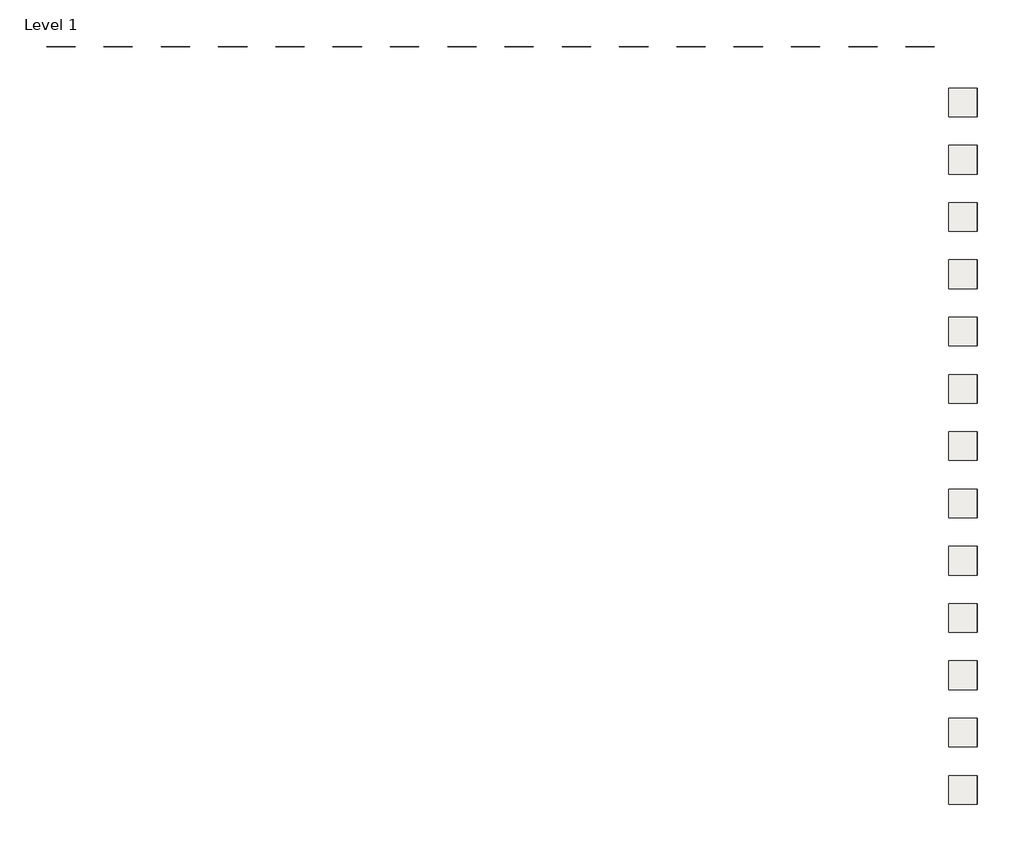
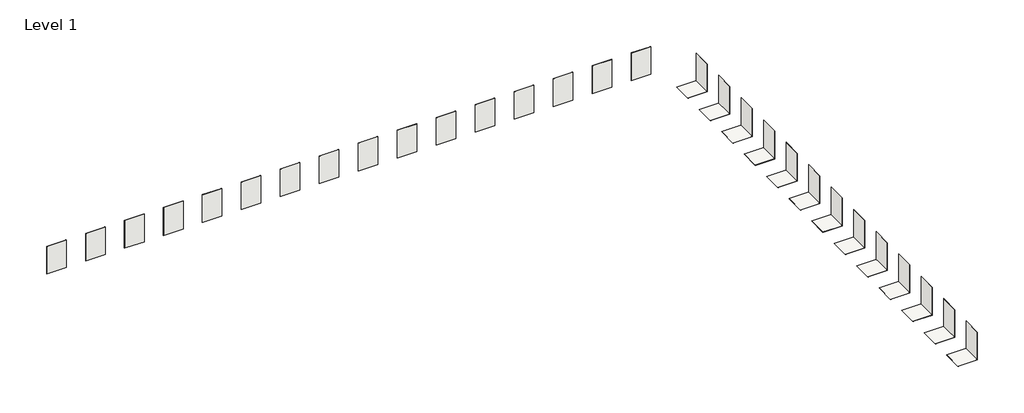
# One storey: 42 coverings.
"""IFC4 building model written with IfcOpenShell, lengths in millimetres."""

import ifcopenshell
import ifcopenshell.guid

model = None  # the IFC model being written
_history = None  # IfcOwnerHistory: only IFC2X3 demands one
_inside = {}  # id of a spatial element -> (the spatial element, [elements in it])
_under = {}  # id of a project, library or spatial element -> (it, [spatial elements below it])
_declared = {}  # id of a project -> (the project, [libraries it declares])
_typed = {}  # id of a type object -> (the type object, [elements of that type])
_made_of = {}  # id of a material, layer set ... -> (it, [elements and type objects made of it])


def new_model(schema):
    """Start an empty IFC model of exactly this schema.

    Asked for "IFC4X3", IfcOpenShell would pick the latest addendum, in which some entities
    have other attributes; the version numbers below select the first issue.
    IFC2X3 requires an IfcOwnerHistory on every rooted entity: one is made here for all.
    """
    global model, _history
    if schema == "IFC4X3":
        model = ifcopenshell.file(schema_version=(4, 3, 0, 0))
    else:
        model = ifcopenshell.file(schema=schema)
    _inside.clear()
    _under.clear()
    _declared.clear()
    _typed.clear()
    _made_of.clear()
    _history = None
    if model.schema == "IFC2X3":
        org = make("IfcOrganization", Name="unknown")
        user = make(
            "IfcPersonAndOrganization",
            ThePerson=make("IfcPerson", FamilyName="unknown"),
            TheOrganization=org,
        )
        app = make(
            "IfcApplication",
            ApplicationDeveloper=org,
            Version="unknown",
            ApplicationFullName="unknown",
            ApplicationIdentifier="unknown",
        )
        _history = make(
            "IfcOwnerHistory",
            OwningUser=user,
            OwningApplication=app,
            ChangeAction="ADDED",
            CreationDate=0,
        )
    return model


def make(cls, **values):
    """One entity of the class cls with the attributes given. An attribute that is None is left unset."""
    return model.create_entity(
        cls, **{name: value for name, value in values.items() if value is not None}
    )


def rooted(cls, **values):
    """An entity with a GlobalId (a new one), such as an element, a storey or a relation."""
    return make(cls, GlobalId=ifcopenshell.guid.new(), OwnerHistory=_history, **values)


def si_unit(unit_type, name, prefix=None):
    """IfcSIUnit, for example si_unit("LENGTHUNIT", "METRE", prefix="MILLI")."""
    return make("IfcSIUnit", UnitType=unit_type, Prefix=prefix, Name=name)


def assignment(units):
    """IfcUnitAssignment: the units of a project."""
    return None if units is None else make("IfcUnitAssignment", Units=units)


def point(xyz):
    """IfcCartesianPoint."""
    return None if xyz is None else make("IfcCartesianPoint", Coordinates=xyz)


def direction(xyz):
    """IfcDirection."""
    return None if xyz is None else make("IfcDirection", DirectionRatios=xyz)


def frame(location, z_axis=None, x_axis=None):
    """IfcAxis2Placement3D, a coordinate frame: its origin and axes. An axis left out is left unset."""
    return make(
        "IfcAxis2Placement3D",
        Location=point(location),
        Axis=direction(z_axis),
        RefDirection=direction(x_axis),
    )


def origin():
    """The frame at (0, 0, 0) with its axes left unset."""
    return frame((0.0, 0.0, 0.0))


def origin_with_axes():
    """The frame at (0, 0, 0) with the z axis (0, 0, 1) and the x axis (1, 0, 0) written out."""
    return frame((0.0, 0.0, 0.0), z_axis=(0.0, 0.0, 1.0), x_axis=(1.0, 0.0, 0.0))


def place(relative_to, where):
    """IfcLocalPlacement: puts the frame where relative to a parent placement (None: the world)."""
    return make(
        "IfcLocalPlacement", PlacementRelTo=relative_to, RelativePlacement=where
    )


def context(
    kind, dimensions, precision=None, world=None, true_north=None, identifier=None
):
    """IfcGeometricRepresentationContext, for example the 3D "Model" context."""
    return make(
        "IfcGeometricRepresentationContext",
        ContextIdentifier=identifier,
        ContextType=kind,
        CoordinateSpaceDimension=dimensions,
        Precision=precision,
        WorldCoordinateSystem=world,
        TrueNorth=true_north,
    )


def project(units=None, contexts=None):
    """IfcProject with its units and contexts."""
    return rooted(
        "IfcProject",
        Name="project",
        RepresentationContexts=contexts,
        UnitsInContext=assignment(units),
    )


def spatial(cls, under=None, at=None, **own):
    """A site, building, storey or space (cls), placed at a placement, below another one or the project."""
    s = rooted(cls, ObjectPlacement=at, **own)
    if under is not None:
        _under.setdefault(under.id(), (under, []))[1].append(s)
    return s


def polyline(points):
    """IfcPolyline through the points."""
    return make("IfcPolyline", Points=[point(p) for p in points])


def outline(outer, holes=None, kind="AREA"):
    """IfcArbitraryClosedProfileDef: a profile drawn as a closed curve; with holes, ...WithVoids."""
    if holes is None:
        return make("IfcArbitraryClosedProfileDef", ProfileType=kind, OuterCurve=outer)
    return make(
        "IfcArbitraryProfileDefWithVoids",
        ProfileType=kind,
        OuterCurve=outer,
        InnerCurves=holes,
    )


def extrude(swept, where, along, depth):
    """IfcExtrudedAreaSolid: the profile swept, set in the frame where, extruded along a direction by depth."""
    return make(
        "IfcExtrudedAreaSolid",
        SweptArea=swept,
        Position=where,
        ExtrudedDirection=direction(along),
        Depth=depth,
    )


def shape(context_of_items, identifier, shape_type, items):
    """IfcShapeRepresentation: the items that make up one representation, for example the "Body"."""
    return make(
        "IfcShapeRepresentation",
        ContextOfItems=context_of_items,
        RepresentationIdentifier=identifier,
        RepresentationType=shape_type,
        Items=items,
    )


def made_of(thing, what):
    """Note that an element or type object is made of a material, layer set ...; save() writes the relation."""
    if what is not None:
        _made_of.setdefault(what.id(), (what, []))[1].append(thing)
    return thing


def element(
    cls,
    number,
    at=None,
    inside=None,
    cuts=None,
    type_object=None,
    material=None,
    context=None,
    identifier="Body",
    shape_type=None,
    held_by="IfcProductDefinitionShape",
    body=None,
    shapes=None,
    **own,
):
    """One element of the class cls, such as IfcWall. Its Tag is "e" and its number.

    at: its placement. inside: the storey or other place that contains it. cuts: it is an
    opening in that element (IfcRelVoidsElement). A single representation is given by context,
    identifier, shape_type and body (its items); several are given by shapes. held_by: the class
    of the entity that holds the representations. save() writes the other relations.
    """
    e = rooted(cls, Tag="e%d" % number, ObjectPlacement=at, **own)
    if body is not None:
        shapes = [shape(context, identifier, shape_type, body)]
    if shapes is not None:
        e.Representation = make(held_by, Representations=shapes)
    if inside is not None:
        _inside.setdefault(inside.id(), (inside, []))[1].append(e)
    if cuts is not None:
        rooted(
            "IfcRelVoidsElement", RelatingBuildingElement=cuts, RelatedOpeningElement=e
        )
    if type_object is not None:
        _typed.setdefault(type_object.id(), (type_object, []))[1].append(e)
    return made_of(e, material)


def aggregate(whole, parts):
    """IfcRelAggregates: a whole, such as a stair, and the parts it consists of."""
    return rooted("IfcRelAggregates", RelatingObject=whole, RelatedObjects=parts)


def save(model, path):
    """Write the relations noted so far, then the file.

    IfcRelAggregates (storeys below a building ...), IfcRelContainedInSpatialStructure (elements
    in a storey), IfcRelDefinesByType, IfcRelAssociatesMaterial and IfcRelDeclares: one each for
    every whole, place, type object, material and project.
    """
    for whole, parts in _under.values():
        aggregate(whole, parts)
    for where, things in _inside.values():
        rooted(
            "IfcRelContainedInSpatialStructure",
            RelatedElements=things,
            RelatingStructure=where,
        )
    for kind, things in _typed.values():
        rooted("IfcRelDefinesByType", RelatedObjects=things, RelatingType=kind)
    for what, things in _made_of.values():
        rooted("IfcRelAssociatesMaterial", RelatedObjects=things, RelatingMaterial=what)
    for by, libraries in _declared.values():
        rooted("IfcRelDeclares", RelatingContext=by, RelatedDefinitions=libraries)
    model.write(path)


model = new_model("IFC4")

# Units and contexts
model_context = context("Model", 3, world=origin())
ifc_project = project(units=[si_unit("LENGTHUNIT", "METRE", prefix="MILLI")], contexts=[model_context])

# Site, building, storey
site = spatial("IfcSite", under=ifc_project)
building = spatial("IfcBuilding", under=site)
storey = spatial("IfcBuildingStorey", under=building, Name="Level 1", Elevation=0.0)

# Coverings
placement = place(None, origin())
element("IfcCovering", 1, at=placement, inside=storey, context=model_context, shape_type="SweptSolid", body=[
    extrude(outline(polyline([(3527.0774266, -4501.9826748), (1527.0774266, -4501.9826748), (1527.0774266, -2501.9826748), (3527.0774266, -2501.9826748), (3527.0774266, -4501.9826748)])), frame((0.0, 0.0, -10.3), z_axis=(0.0, 0.0, 1.0), x_axis=(1.0, 0.0, 0.0)), (0.0, 0.0, 1.0), 10.3),
])
element("IfcCovering", 2, at=placement, inside=storey, context=model_context, shape_type="SweptSolid", body=[
    extrude(outline(polyline([(3516.7774266, -4501.9826748), (3516.7774266, -2501.9826748), (3527.0774266, -2501.9826748), (3527.0774266, -4501.9826748), (3516.7774266, -4501.9826748)])), origin_with_axes(), (0.0, 0.0, 1.0), 3000.0),
])
element("IfcCovering", 3, at=placement, inside=storey, context=model_context, shape_type="SweptSolid", body=[
    extrude(outline(polyline([(3527.0774266, -8501.9826748), (1527.0774266, -8501.9826748), (1527.0774266, -6501.9826748), (3527.0774266, -6501.9826748), (3527.0774266, -8501.9826748)])), frame((0.0, 0.0, -10.3), z_axis=(0.0, 0.0, 1.0), x_axis=(1.0, 0.0, 0.0)), (0.0, 0.0, 1.0), 10.3),
])
element("IfcCovering", 4, at=placement, inside=storey, context=model_context, shape_type="SweptSolid", body=[
    extrude(outline(polyline([(3516.7774266, -8501.9826748), (3516.7774266, -6501.9826748), (3527.0774266, -6501.9826748), (3527.0774266, -8501.9826748), (3516.7774266, -8501.9826748)])), origin_with_axes(), (0.0, 0.0, 1.0), 3000.0),
])
element("IfcCovering", 5, at=placement, inside=storey, context=model_context, shape_type="SweptSolid", body=[
    extrude(outline(polyline([(3516.7774266, -501.9826748), (3516.7774266, 1498.0173252), (3527.0774266, 1498.0173252), (3527.0774266, -501.9826748), (3516.7774266, -501.9826748)])), origin_with_axes(), (0.0, 0.0, 1.0), 3000.0),
])
element("IfcCovering", 6, at=placement, inside=storey, context=model_context, shape_type="SweptSolid", body=[
    extrude(outline(polyline([(-3472.9225734, 4388.7173252), (-5472.9225734, 4388.7173252), (-5472.9225734, 4398.0173252), (-3472.9225734, 4398.0173252), (-3472.9225734, 4388.7173252)])), origin_with_axes(), (0.0, 0.0, 1.0), 3000.0),
])
element("IfcCovering", 7, at=placement, inside=storey, context=model_context, shape_type="SweptSolid", body=[
    extrude(outline(polyline([(-7472.9225734, 4388.7173252), (-9472.9225734, 4388.7173252), (-9472.9225734, 4398.0173252), (-7472.9225734, 4398.0173252), (-7472.9225734, 4388.7173252)])), origin_with_axes(), (0.0, 0.0, 1.0), 3000.0),
])
element("IfcCovering", 8, at=placement, inside=storey, context=model_context, shape_type="SweptSolid", body=[
    extrude(outline(polyline([(-11472.9225734, 4388.7173252), (-13472.9225734, 4388.7173252), (-13472.9225734, 4398.0173252), (-11472.9225734, 4398.0173252), (-11472.9225734, 4388.7173252)])), origin_with_axes(), (0.0, 0.0, 1.0), 3000.0),
])
element("IfcCovering", 9, at=placement, inside=storey, context=model_context, shape_type="SweptSolid", body=[
    extrude(outline(polyline([(-15472.9225734, 4389.0173252), (-17472.9225734, 4389.0173252), (-17472.9225734, 4398.0173252), (-15472.9225734, 4398.0173252), (-15472.9225734, 4389.0173252)])), origin_with_axes(), (0.0, 0.0, 1.0), 3000.0),
])
element("IfcCovering", 10, at=placement, inside=storey, context=model_context, shape_type="SweptSolid", body=[
    extrude(outline(polyline([(-19472.9225734, 4389.0173252), (-21472.9225734, 4389.0173252), (-21472.9225734, 4398.0173252), (-19472.9225734, 4398.0173252), (-19472.9225734, 4389.0173252)])), origin_with_axes(), (0.0, 0.0, 1.0), 3000.0),
])
element("IfcCovering", 11, at=placement, inside=storey, context=model_context, shape_type="SweptSolid", body=[
    extrude(outline(polyline([(-23472.9225734, 4388.4173252), (-25472.9225734, 4388.4173252), (-25472.9225734, 4398.0173252), (-23472.9225734, 4398.0173252), (-23472.9225734, 4388.4173252)])), origin_with_axes(), (0.0, 0.0, 1.0), 3000.0),
])
element("IfcCovering", 12, at=placement, inside=storey, context=model_context, shape_type="SweptSolid", body=[
    extrude(outline(polyline([(-27472.9225734, 4388.4173252), (-29472.9225734, 4388.4173252), (-29472.9225734, 4398.0173252), (-27472.9225734, 4398.0173252), (-27472.9225734, 4388.4173252)])), origin_with_axes(), (0.0, 0.0, 1.0), 3000.0),
])
element("IfcCovering", 13, at=placement, inside=storey, context=model_context, shape_type="SweptSolid", body=[
    extrude(outline(polyline([(-31472.9225734, 4388.4173252), (-33472.9225734, 4388.4173252), (-33472.9225734, 4398.0173252), (-31472.9225734, 4398.0173252), (-31472.9225734, 4388.4173252)])), origin_with_axes(), (0.0, 0.0, 1.0), 3000.0),
])
element("IfcCovering", 14, at=placement, inside=storey, context=model_context, shape_type="SweptSolid", body=[
    extrude(outline(polyline([(3527.0774266, -501.9826748), (1527.0774266, -501.9826748), (1527.0774266, 1498.0173252), (3527.0774266, 1498.0173252), (3527.0774266, -501.9826748)])), frame((0.0, 0.0, -10.3), z_axis=(0.0, 0.0, 1.0), x_axis=(1.0, 0.0, 0.0)), (0.0, 0.0, 1.0), 10.3),
])
element("IfcCovering", 15, at=placement, inside=storey, context=model_context, shape_type="SweptSolid", body=[
    extrude(outline(polyline([(3527.0774266, -12501.9826748), (1527.0774266, -12501.9826748), (1527.0774266, -10501.9826748), (3527.0774266, -10501.9826748), (3527.0774266, -12501.9826748)])), frame((0.0, 0.0, -10.3), z_axis=(0.0, 0.0, 1.0), x_axis=(1.0, 0.0, 0.0)), (0.0, 0.0, 1.0), 10.3),
])
element("IfcCovering", 16, at=placement, inside=storey, context=model_context, shape_type="SweptSolid", body=[
    extrude(outline(polyline([(3516.7774266, -12501.9826748), (3516.7774266, -10501.9826748), (3527.0774266, -10501.9826748), (3527.0774266, -12501.9826748), (3516.7774266, -12501.9826748)])), origin_with_axes(), (0.0, 0.0, 1.0), 3000.0),
])
element("IfcCovering", 17, at=placement, inside=storey, context=model_context, shape_type="SweptSolid", body=[
    extrude(outline(polyline([(3527.0774266, -16501.9826748), (1527.0774266, -16501.9826748), (1527.0774266, -14501.9826748), (3527.0774266, -14501.9826748), (3527.0774266, -16501.9826748)])), frame((0.0, 0.0, -10.3), z_axis=(0.0, 0.0, 1.0), x_axis=(1.0, 0.0, 0.0)), (0.0, 0.0, 1.0), 10.3),
])
element("IfcCovering", 18, at=placement, inside=storey, context=model_context, shape_type="SweptSolid", body=[
    extrude(outline(polyline([(3516.7774266, -16501.9826748), (3516.7774266, -14501.9826748), (3527.0774266, -14501.9826748), (3527.0774266, -16501.9826748), (3516.7774266, -16501.9826748)])), origin_with_axes(), (0.0, 0.0, 1.0), 3000.0),
])
element("IfcCovering", 19, at=placement, inside=storey, context=model_context, shape_type="SweptSolid", body=[
    extrude(outline(polyline([(3527.0774266, -20501.9826748), (1527.0774266, -20501.9826748), (1527.0774266, -18501.9826748), (3527.0774266, -18501.9826748), (3527.0774266, -20501.9826748)])), frame((0.0, 0.0, -10.3), z_axis=(0.0, 0.0, 1.0), x_axis=(1.0, 0.0, 0.0)), (0.0, 0.0, 1.0), 10.3),
])
element("IfcCovering", 20, at=placement, inside=storey, context=model_context, shape_type="SweptSolid", body=[
    extrude(outline(polyline([(3516.7774266, -20501.9826748), (3516.7774266, -18501.9826748), (3527.0774266, -18501.9826748), (3527.0774266, -20501.9826748), (3516.7774266, -20501.9826748)])), origin_with_axes(), (0.0, 0.0, 1.0), 3000.0),
])
element("IfcCovering", 21, at=placement, inside=storey, context=model_context, shape_type="SweptSolid", body=[
    extrude(outline(polyline([(3527.0774266, -24501.9826748), (1527.0774266, -24501.9826748), (1527.0774266, -22501.9826748), (3527.0774266, -22501.9826748), (3527.0774266, -24501.9826748)])), frame((0.0, 0.0, -10.3), z_axis=(0.0, 0.0, 1.0), x_axis=(1.0, 0.0, 0.0)), (0.0, 0.0, 1.0), 10.3),
])
element("IfcCovering", 22, at=placement, inside=storey, context=model_context, shape_type="SweptSolid", body=[
    extrude(outline(polyline([(3516.7774266, -24501.9826748), (3516.7774266, -22501.9826748), (3527.0774266, -22501.9826748), (3527.0774266, -24501.9826748), (3516.7774266, -24501.9826748)])), origin_with_axes(), (0.0, 0.0, 1.0), 3000.0),
])
element("IfcCovering", 23, at=placement, inside=storey, context=model_context, shape_type="SweptSolid", body=[
    extrude(outline(polyline([(3527.0774266, -28501.9826748), (1527.0774266, -28501.9826748), (1527.0774266, -26501.9826748), (3527.0774266, -26501.9826748), (3527.0774266, -28501.9826748)])), frame((0.0, 0.0, -11.2), z_axis=(0.0, 0.0, 1.0), x_axis=(1.0, 0.0, 0.0)), (0.0, 0.0, 1.0), 11.2),
])
element("IfcCovering", 24, at=placement, inside=storey, context=model_context, shape_type="SweptSolid", body=[
    extrude(outline(polyline([(3515.8774266, -28501.9826748), (3515.8774266, -26501.9826748), (3527.0774266, -26501.9826748), (3527.0774266, -28501.9826748), (3515.8774266, -28501.9826748)])), origin_with_axes(), (0.0, 0.0, 1.0), 3000.0),
])
element("IfcCovering", 25, at=placement, inside=storey, context=model_context, shape_type="SweptSolid", body=[
    extrude(outline(polyline([(3527.0774266, -32501.9826748), (1527.0774266, -32501.9826748), (1527.0774266, -30501.9826748), (3527.0774266, -30501.9826748), (3527.0774266, -32501.9826748)])), frame((0.0, 0.0, -11.2), z_axis=(0.0, 0.0, 1.0), x_axis=(1.0, 0.0, 0.0)), (0.0, 0.0, 1.0), 11.2),
])
element("IfcCovering", 26, at=placement, inside=storey, context=model_context, shape_type="SweptSolid", body=[
    extrude(outline(polyline([(3515.8774266, -32501.9826748), (3515.8774266, -30501.9826748), (3527.0774266, -30501.9826748), (3527.0774266, -32501.9826748), (3515.8774266, -32501.9826748)])), origin_with_axes(), (0.0, 0.0, 1.0), 3000.0),
])
element("IfcCovering", 27, at=placement, inside=storey, context=model_context, shape_type="SweptSolid", body=[
    extrude(outline(polyline([(3527.0774266, -36501.9826748), (1527.0774266, -36501.9826748), (1527.0774266, -34501.9826748), (3527.0774266, -34501.9826748), (3527.0774266, -36501.9826748)])), frame((0.0, 0.0, -11.2), z_axis=(0.0, 0.0, 1.0), x_axis=(1.0, 0.0, 0.0)), (0.0, 0.0, 1.0), 11.2),
])
element("IfcCovering", 28, at=placement, inside=storey, context=model_context, shape_type="SweptSolid", body=[
    extrude(outline(polyline([(3515.8774266, -36501.9826748), (3515.8774266, -34501.9826748), (3527.0774266, -34501.9826748), (3527.0774266, -36501.9826748), (3515.8774266, -36501.9826748)])), origin_with_axes(), (0.0, 0.0, 1.0), 3000.0),
])
element("IfcCovering", 29, at=placement, inside=storey, context=model_context, shape_type="SweptSolid", body=[
    extrude(outline(polyline([(3527.0774266, -40501.9826748), (1527.0774266, -40501.9826748), (1527.0774266, -38501.9826748), (3527.0774266, -38501.9826748), (3527.0774266, -40501.9826748)])), frame((0.0, 0.0, -10.0), z_axis=(0.0, 0.0, 1.0), x_axis=(1.0, 0.0, 0.0)), (0.0, 0.0, 1.0), 10.0),
])
element("IfcCovering", 30, at=placement, inside=storey, context=model_context, shape_type="SweptSolid", body=[
    extrude(outline(polyline([(3517.0774266, -40501.9826748), (3517.0774266, -38501.9826748), (3527.0774266, -38501.9826748), (3527.0774266, -40501.9826748), (3517.0774266, -40501.9826748)])), origin_with_axes(), (0.0, 0.0, 1.0), 3000.0),
])
element("IfcCovering", 31, at=placement, inside=storey, context=model_context, shape_type="SweptSolid", body=[
    extrude(outline(polyline([(3527.0774266, -44501.9826748), (1527.0774266, -44501.9826748), (1527.0774266, -42501.9826748), (3527.0774266, -42501.9826748), (3527.0774266, -44501.9826748)])), frame((0.0, 0.0, -10.0), z_axis=(0.0, 0.0, 1.0), x_axis=(1.0, 0.0, 0.0)), (0.0, 0.0, 1.0), 10.0),
])
element("IfcCovering", 32, at=placement, inside=storey, context=model_context, shape_type="SweptSolid", body=[
    extrude(outline(polyline([(3517.0774266, -44501.9826748), (3517.0774266, -42501.9826748), (3527.0774266, -42501.9826748), (3527.0774266, -44501.9826748), (3517.0774266, -44501.9826748)])), origin_with_axes(), (0.0, 0.0, 1.0), 3000.0),
])
element("IfcCovering", 33, at=placement, inside=storey, context=model_context, shape_type="SweptSolid", body=[
    extrude(outline(polyline([(3527.0774266, -48501.9826748), (1527.0774266, -48501.9826748), (1527.0774266, -46501.9826748), (3527.0774266, -46501.9826748), (3527.0774266, -48501.9826748)])), frame((0.0, 0.0, -10.0), z_axis=(0.0, 0.0, 1.0), x_axis=(1.0, 0.0, 0.0)), (0.0, 0.0, 1.0), 10.0),
])
element("IfcCovering", 34, at=placement, inside=storey, context=model_context, shape_type="SweptSolid", body=[
    extrude(outline(polyline([(3517.0774266, -48501.9826748), (3517.0774266, -46501.9826748), (3527.0774266, -46501.9826748), (3527.0774266, -48501.9826748), (3517.0774266, -48501.9826748)])), origin_with_axes(), (0.0, 0.0, 1.0), 3000.0),
])
element("IfcCovering", 35, at=placement, inside=storey, context=model_context, shape_type="SweptSolid", body=[
    extrude(outline(polyline([(527.0774266, 4388.7173252), (-1472.9225734, 4388.7173252), (-1472.9225734, 4398.0173252), (527.0774266, 4398.0173252), (527.0774266, 4388.7173252)])), origin_with_axes(), (0.0, 0.0, 1.0), 3000.0),
])
element("IfcCovering", 36, at=placement, inside=storey, context=model_context, shape_type="SweptSolid", body=[
    extrude(outline(polyline([(-35472.9225734, 4388.7173252), (-37472.9225734, 4388.7173252), (-37472.9225734, 4398.0173252), (-35472.9225734, 4398.0173252), (-35472.9225734, 4388.7173252)])), origin_with_axes(), (0.0, 0.0, 1.0), 3000.0),
])
element("IfcCovering", 37, at=placement, inside=storey, context=model_context, shape_type="SweptSolid", body=[
    extrude(outline(polyline([(-39472.9225734, 4388.4173252), (-41472.9225734, 4388.4173252), (-41472.9225734, 4398.0173252), (-39472.9225734, 4398.0173252), (-39472.9225734, 4388.4173252)])), origin_with_axes(), (0.0, 0.0, 1.0), 3000.0),
])
element("IfcCovering", 38, at=placement, inside=storey, context=model_context, shape_type="SweptSolid", body=[
    extrude(outline(polyline([(-43472.9225734, 4388.7173252), (-45472.9225734, 4388.7173252), (-45472.9225734, 4398.0173252), (-43472.9225734, 4398.0173252), (-43472.9225734, 4388.7173252)])), origin_with_axes(), (0.0, 0.0, 1.0), 3000.0),
])
element("IfcCovering", 39, at=placement, inside=storey, context=model_context, shape_type="SweptSolid", body=[
    extrude(outline(polyline([(-47472.9225734, 4388.7173252), (-49472.9225734, 4388.7173252), (-49472.9225734, 4398.0173252), (-47472.9225734, 4398.0173252), (-47472.9225734, 4388.7173252)])), origin_with_axes(), (0.0, 0.0, 1.0), 3000.0),
])
element("IfcCovering", 40, at=placement, inside=storey, context=model_context, shape_type="SweptSolid", body=[
    extrude(outline(polyline([(-51472.9225734, 4388.4173252), (-53472.9225734, 4388.4173252), (-53472.9225734, 4398.0173252), (-51472.9225734, 4398.0173252), (-51472.9225734, 4388.4173252)])), origin_with_axes(), (0.0, 0.0, 1.0), 3000.0),
])
element("IfcCovering", 41, at=placement, inside=storey, context=model_context, shape_type="SweptSolid", body=[
    extrude(outline(polyline([(-55472.9225734, 4388.7173252), (-57472.9225734, 4388.7173252), (-57472.9225734, 4398.0173252), (-55472.9225734, 4398.0173252), (-55472.9225734, 4388.7173252)])), origin_with_axes(), (0.0, 0.0, 1.0), 3000.0),
])
element("IfcCovering", 42, at=placement, inside=storey, context=model_context, shape_type="SweptSolid", body=[
    extrude(outline(polyline([(-59472.9225734, 4388.4173252), (-61472.9225734, 4388.4173252), (-61472.9225734, 4398.0173252), (-59472.9225734, 4398.0173252), (-59472.9225734, 4388.4173252)])), origin_with_axes(), (0.0, 0.0, 1.0), 3000.0),
])

save(model, "model.ifc")
